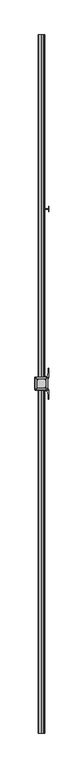
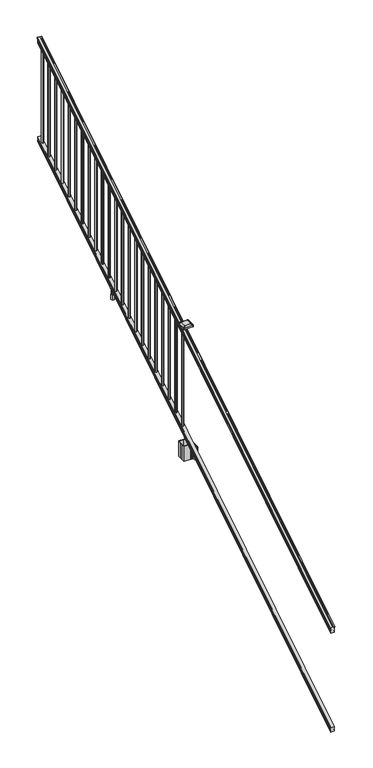
"""IFC4 building model written with IfcOpenShell, lengths in millimetres: railing geometry."""

from ifc_helpers import new_model, si_unit, point, frame, frame_2d, origin, place, context, project, spatial, polyline, circle_curve, ellipse_curve, trimmed, segment, composite_curve, outline, extrude, faceted_brep, source, transform, mapped, element, save
from ifc_brep_helpers import plane_surface, cylinder_surface, revolved_surface, extruded_surface, advanced_brep


def railing_32d1acc4(model_context):
    return source(origin(), model_context, "Body", "SolidModel", [
        advanced_brep(
        [(10207.2754996, -22300.2194681, 1285.6070492), (10209.8493284, -22300.2194681, 1285.6070492), (10209.8493284, -22300.2194681, 1273.0394336), (10208.8333284, -22300.2194681, 1271.841318), (10208.8333284, -22300.2194681, 1257.3), (10240.5833284, -22300.2194681, 1257.3), (10240.5833284, -22300.2194681, 1272.0274214), (10239.5673284, -22300.2194681, 1273.225537), (10239.5673284, -22300.2194681, 1285.6070492), (10242.1411571, -22300.2194681, 1285.6070492), (10242.1411571, -22300.2194681, 1287.8335658), (10243.2713434, -22300.2194681, 1289.6758543), (10243.2713434, -22300.2194681, 1298.1876358), (10242.622087, -22300.2194681, 1301.0572588), (10245.122087, -22300.2194681, 1306.1635509), (10246.5314295, -22300.2194681, 1308.1442021), (10246.9333285, -22300.2194681, 1309.4469579), (10246.9333284, -22300.2194681, 1311.0274846), (10245.3798811, -22300.2194681, 1312.8593836), (10224.7083284, -22300.2194681, 1312.8593836), (10204.0367756, -22300.2194681, 1312.8593836), (10202.4833284, -22300.2194681, 1311.0274846), (10202.4833284, -22300.2194681, 1309.4469579), (10202.8852273, -22300.2194681, 1308.1442021), (10204.2945697, -22300.2194681, 1306.1635509), (10206.7945697, -22300.2194681, 1301.0572588), (10206.1453133, -22300.2194681, 1298.1876358), (10206.1453133, -22300.2194681, 1289.6758543), (10207.2754996, -22300.2194681, 1287.8335658), (10207.2754996, -17423.4194681, 4333.6070492), (10207.2754996, -17423.4194681, 4335.8335658), (10206.1453133, -17423.4194681, 4337.6758543), (10206.1453133, -17423.4194681, 4346.1876358), (10206.7945697, -17423.4194681, 4349.0572588), (10204.2945697, -17423.4194681, 4354.1635509), (10202.8852273, -17423.4194681, 4356.1442021), (10202.4833283, -17423.4194681, 4357.4469579), (10202.4833284, -17423.4194681, 4359.0274846), (10204.0367756, -17423.4194681, 4360.8593836), (10224.7083284, -17423.4194681, 4360.8593836), (10245.3798811, -17423.4194681, 4360.8593836), (10246.9333284, -17423.4194681, 4359.0274846), (10246.9333284, -17423.4194681, 4357.4469579), (10246.5314295, -17423.4194681, 4356.1442021), (10245.122087, -17423.4194681, 4354.1635509), (10242.622087, -17423.4194681, 4349.0572588), (10243.2713434, -17423.4194681, 4346.1876358), (10243.2713434, -17423.4194681, 4337.6758543), (10242.1411571, -17423.4194681, 4335.8335658), (10242.1411571, -17423.4194681, 4333.6070492), (10239.5673284, -17423.4194681, 4333.6070492), (10239.5673284, -17423.4194681, 4321.225537), (10240.5833284, -17423.4194681, 4320.0274214), (10240.5833284, -17423.4194681, 4305.3), (10208.8333284, -17423.4194681, 4305.3), (10208.8333284, -17423.4194681, 4319.841318), (10209.8493284, -17423.4194681, 4321.0394336), (10209.8493284, -17423.4194681, 4333.6070492)],
        [
            (0, 1, ellipse_curve(frame((10208.562414, -22300.2194681, 1285.6070492), z_axis=(0.0, -1.0, 0.0), x_axis=(0.0, 0.0, -1.0)), 1.5175907, 1.2869144)),
            (1, 2),
            (2, 3),
            (3, 4),
            (4, 5),
            (5, 6),
            (6, 7),
            (7, 8),
            (8, 9, ellipse_curve(frame((10240.8542427, -22300.2194681, 1285.6070492), z_axis=(0.0, -1.0, 0.0), x_axis=(0.0, 0.0, -1.0)), 1.5175907, 1.2869144)),
            (9, 10),
            (10, 11, ellipse_curve(frame((10235.8264038, -22300.2194681, 1294.6239405), z_axis=(0.0, -1.0, 0.0), x_axis=(0.0, 0.0, -1.0)), 10.0777926, 8.545951)),
            (11, 12, ellipse_curve(frame((10236.2634668, -22300.2194681, 1293.9317451), z_axis=(0.0, -1.0, 0.0), x_axis=(0.0, 0.0, -1.0)), 9.2955186, 7.882584)),
            (12, 13, ellipse_curve(frame((10246.7767909, -22300.2194681, 1300.8275077), z_axis=(0.0, 1.0, 0.0), x_axis=(0.0, 0.0, 1.0)), 4.9048088, 4.1592695)),
            (13, 14, ellipse_curve(frame((10248.0640975, -22300.2194681, 1300.7563208), z_axis=(0.0, 1.0, 0.0), x_axis=(0.0, 0.0, 1.0)), 6.4245301, 5.4479907)),
            (14, 15, ellipse_curve(frame((10246.830939, -22300.2194681, 1306.1602333), z_axis=(0.0, 1.0, 0.0), x_axis=(0.0, 0.0, 1.0)), 2.0151625, 1.7088543)),
            (15, 16, ellipse_curve(frame((10245.2140389, -22300.2194681, 1309.4469579), z_axis=(0.0, -1.0, 0.0), x_axis=(0.0, 0.0, -1.0)), 2.0274681, 1.7192895)),
            (16, 17),
            (17, 18, ellipse_curve(frame((10245.3798811, -22300.2194681, 1311.0274846), z_axis=(0.0, -1.0, 0.0), x_axis=(0.0, 0.0, -1.0)), 1.831899, 1.5534472)),
            (18, 19),
            (19, 20),
            (20, 21, ellipse_curve(frame((10204.0367756, -22300.2194681, 1311.0274846), z_axis=(0.0, -1.0, 0.0), x_axis=(0.0, 0.0, -1.0)), 1.831899, 1.5534472)),
            (21, 22),
            (22, 23, ellipse_curve(frame((10204.2026178, -22300.2194681, 1309.4469579), z_axis=(0.0, -1.0, 0.0), x_axis=(0.0, 0.0, -1.0)), 2.0274681, 1.7192895)),
            (23, 24, ellipse_curve(frame((10202.5857177, -22300.2194681, 1306.1602333), z_axis=(0.0, 1.0, 0.0), x_axis=(0.0, 0.0, 1.0)), 2.0151625, 1.7088543)),
            (24, 25, ellipse_curve(frame((10201.3525593, -22300.2194681, 1300.7563208), z_axis=(0.0, 1.0, 0.0), x_axis=(0.0, 0.0, 1.0)), 6.4245301, 5.4479907)),
            (25, 26, ellipse_curve(frame((10202.6398658, -22300.2194681, 1300.8275077), z_axis=(0.0, 1.0, 0.0), x_axis=(0.0, 0.0, 1.0)), 4.9048088, 4.1592695)),
            (26, 27, ellipse_curve(frame((10213.15319, -22300.2194681, 1293.9317451), z_axis=(0.0, -1.0, 0.0), x_axis=(0.0, 0.0, -1.0)), 9.2955186, 7.882584)),
            (27, 28, ellipse_curve(frame((10213.5902529, -22300.2194681, 1294.6239405), z_axis=(0.0, -1.0, 0.0), x_axis=(0.0, 0.0, -1.0)), 10.0777926, 8.545951)),
            (28, 0),
            (29, 30),
            (30, 31, ellipse_curve(frame((10213.5902529, -17423.4194681, 4342.6239405), z_axis=(0.0, 1.0, 0.0), x_axis=(0.0, 0.0, -1.0)), 10.0777926, 8.545951)),
            (31, 32, ellipse_curve(frame((10213.15319, -17423.4194681, 4341.9317451), z_axis=(0.0, 1.0, 0.0), x_axis=(0.0, 0.0, -1.0)), 9.2955186, 7.882584)),
            (32, 33, ellipse_curve(frame((10202.6398658, -17423.4194681, 4348.8275077), z_axis=(0.0, -1.0, 0.0), x_axis=(0.0, 0.0, 1.0)), 4.9048088, 4.1592695)),
            (33, 34, ellipse_curve(frame((10201.3525593, -17423.4194681, 4348.7563208), z_axis=(0.0, -1.0, 0.0), x_axis=(0.0, 0.0, 1.0)), 6.4245301, 5.4479907)),
            (34, 35, ellipse_curve(frame((10202.5857177, -17423.4194681, 4354.1602333), z_axis=(0.0, -1.0, 0.0), x_axis=(0.0, 0.0, 1.0)), 2.0151625, 1.7088543)),
            (35, 36, ellipse_curve(frame((10204.2026178, -17423.4194681, 4357.4469579), z_axis=(0.0, 1.0, 0.0), x_axis=(0.0, 0.0, -1.0)), 2.0274681, 1.7192895)),
            (36, 37),
            (37, 38, ellipse_curve(frame((10204.0367756, -17423.4194681, 4359.0274846), z_axis=(0.0, 1.0, 0.0), x_axis=(0.0, 0.0, -1.0)), 1.831899, 1.5534472)),
            (38, 39),
            (39, 40),
            (40, 41, ellipse_curve(frame((10245.3798811, -17423.4194681, 4359.0274846), z_axis=(0.0, 1.0, 0.0), x_axis=(0.0, 0.0, -1.0)), 1.831899, 1.5534472)),
            (41, 42),
            (42, 43, ellipse_curve(frame((10245.2140389, -17423.4194681, 4357.4469579), z_axis=(0.0, 1.0, 0.0), x_axis=(0.0, 0.0, -1.0)), 2.0274681, 1.7192895)),
            (43, 44, ellipse_curve(frame((10246.830939, -17423.4194681, 4354.1602333), z_axis=(0.0, -1.0, 0.0), x_axis=(0.0, 0.0, 1.0)), 2.0151625, 1.7088543)),
            (44, 45, ellipse_curve(frame((10248.0640975, -17423.4194681, 4348.7563208), z_axis=(0.0, -1.0, 0.0), x_axis=(0.0, 0.0, 1.0)), 6.4245301, 5.4479907)),
            (45, 46, ellipse_curve(frame((10246.7767909, -17423.4194681, 4348.8275077), z_axis=(0.0, -1.0, 0.0), x_axis=(0.0, 0.0, 1.0)), 4.9048088, 4.1592695)),
            (46, 47, ellipse_curve(frame((10236.2634668, -17423.4194681, 4341.9317451), z_axis=(0.0, 1.0, 0.0), x_axis=(0.0, 0.0, -1.0)), 9.2955186, 7.882584)),
            (47, 48, ellipse_curve(frame((10235.8264038, -17423.4194681, 4342.6239405), z_axis=(0.0, 1.0, 0.0), x_axis=(0.0, 0.0, -1.0)), 10.0777926, 8.545951)),
            (48, 49),
            (49, 50, ellipse_curve(frame((10240.8542427, -17423.4194681, 4333.6070492), z_axis=(0.0, 1.0, 0.0), x_axis=(0.0, 0.0, -1.0)), 1.5175907, 1.2869144)),
            (50, 51),
            (51, 52),
            (52, 53),
            (53, 54),
            (54, 55),
            (55, 56),
            (56, 57),
            (57, 29, ellipse_curve(frame((10208.562414, -17423.4194681, 4333.6070492), z_axis=(0.0, 1.0, 0.0), x_axis=(0.0, 0.0, -1.0)), 1.5175907, 1.2869144)),
            (28, 30),
            (29, 0),
            (27, 31),
            (26, 32),
            (25, 33),
            (24, 34),
            (23, 35),
            (22, 36),
            (21, 37),
            (20, 38),
            (19, 39),
            (18, 40),
            (17, 41),
            (16, 42),
            (15, 43),
            (14, 44),
            (13, 45),
            (12, 46),
            (11, 47),
            (10, 48),
            (9, 49),
            (8, 50),
            (7, 51),
            (6, 52),
            (5, 53),
            (4, 54),
            (3, 55),
            (2, 56),
            (1, 57),
        ],
        [
            plane_surface(frame((10224.7083284, -22300.2194681, 1257.3), z_axis=(0.0, -1.0, 0.0), x_axis=(0.0, 0.0, 1.0))),
            plane_surface(frame((10224.7083284, -17423.4194681, 4305.3), z_axis=(0.0, 1.0, 0.0), x_axis=(0.0, 0.0, 1.0))),
            plane_surface(frame((10207.2754996, -22300.2194681, 1287.8335658), z_axis=(-1.0, 0.0, 0.0), x_axis=(0.0, 0.8479983040051252, 0.5299989400031204))),
            cylinder_surface(frame((10213.5902529, -22316.9942728, 1284.1396876), z_axis=(0.0, -0.8479983040051253, -0.5299989400031204), x_axis=(1.0, 0.0, 0.0)), 8.545951),
            cylinder_surface(frame((10213.15319, -22316.6831737, 1283.641929), z_axis=(0.0, -0.8479983040051253, -0.5299989400031204), x_axis=(1.0, 0.0, 0.0)), 7.882584),
            revolved_surface(polyline([(10206.7991353, -17421.21505965035, 4350.205262980555), (10206.7991353, -22302.423876549437, 1299.4497524191004)]), (10202.6398658, -22319.7823929, 1288.6006797), (0.0, 0.8479983040051253, 0.5299989400031204)),
            revolved_surface(polyline([(10206.80055, -17420.53203883574, 4350.560964077184), (10206.80055, -22303.10689735281, 1298.9516775044929)]), (10201.3525593, -22319.7503988, 1288.5494891), (0.0, 0.8479983040051253, 0.5299989400031204)),
            revolved_surface(polyline([(10204.294572, -17422.513777099783, 4354.726290199655), (10204.294572, -22301.12515912247, 1305.594176435953)]), (10202.5857177, -22322.1791235, 1292.4354487), (0.0, 0.8479983040051253, 0.5299989400031204)),
            cylinder_surface(frame((10204.2026178, -22323.6563031, 1294.798936), z_axis=(0.0, -0.8479983040051253, -0.5299989400031204), x_axis=(1.0, 0.0, 0.0)), 1.7192895),
            plane_surface(frame((10202.4833284, -22300.2194681, 1311.0274846), z_axis=(-1.0, 0.0, 0.0), x_axis=(0.0, 0.8479983040051252, 0.5299989400031204))),
            cylinder_surface(frame((10204.0367756, -22324.3666522, 1295.9354945), z_axis=(0.0, -0.8479983040051253, -0.5299989400031204), x_axis=(1.0, 0.0, 0.0)), 1.5534472),
            plane_surface(frame((10224.7083284, -22300.2194681, 1312.8593836), z_axis=(0.0, -0.5299989400031204, 0.8479983040051252), x_axis=(0.0, 0.8479983040051252, 0.5299989400031204))),
            plane_surface(frame((10245.3798811, -22300.2194681, 1312.8593836), z_axis=(0.0, -0.5299989400031204, 0.8479983040051252), x_axis=(0.0, 0.8479983040051252, 0.5299989400031204))),
            cylinder_surface(frame((10245.3798811, -22324.3666522, 1295.9354945), z_axis=(0.0, -0.8479983040051253, -0.5299989400031204), x_axis=(-1.0, 0.0, 0.0)), 1.5534472),
            plane_surface(frame((10246.9333284, -22300.2194681, 1309.4469579), z_axis=(1.0, 0.0, 0.0), x_axis=(0.0, 0.8479983040051252, 0.5299989400031204))),
            cylinder_surface(frame((10245.2140389, -22323.6563031, 1294.798936), z_axis=(0.0, -0.8479983040051253, -0.5299989400031204), x_axis=(-1.0, 0.0, 0.0)), 1.7192895),
            revolved_surface(polyline([(10245.122084699999, -17422.513777099783, 4354.726290199655), (10245.122084699999, -22301.12515912247, 1305.594176435953)]), (10246.830939, -22322.1791235, 1292.4354487), (0.0, 0.8479983040051253, 0.5299989400031204)),
            revolved_surface(polyline([(10242.6161068, -17420.53203883574, 4350.560964077184), (10242.6161068, -22303.10689735281, 1298.9516775044929)]), (10248.0640975, -22319.7503988, 1288.5494891), (0.0, 0.8479983040051253, 0.5299989400031204)),
            revolved_surface(polyline([(10242.6175214, -17421.21505965035, 4350.205262980555), (10242.6175214, -22302.423876549437, 1299.4497524191004)]), (10246.7767909, -22319.7823929, 1288.6006797), (0.0, 0.8479983040051253, 0.5299989400031204)),
            cylinder_surface(frame((10236.2634668, -22316.6831737, 1283.641929), z_axis=(0.0, -0.8479983040051253, -0.5299989400031204), x_axis=(-1.0, 0.0, 0.0)), 7.882584),
            cylinder_surface(frame((10235.8264038, -22316.9942728, 1284.1396876), z_axis=(0.0, -0.8479983040051253, -0.5299989400031204), x_axis=(-1.0, 0.0, 0.0)), 8.545951),
            plane_surface(frame((10242.1411571, -22300.2194681, 1285.6070492), z_axis=(1.0, 0.0, 0.0), x_axis=(0.0, 0.8479983040051252, 0.5299989400031204))),
            cylinder_surface(frame((10240.8542427, -22312.9417374, 1277.6556309), z_axis=(0.0, -0.8479983040051253, -0.5299989400031204), x_axis=(-1.0, 0.0, 0.0)), 1.2869144),
            plane_surface(frame((10239.5673284, -22300.2194681, 1273.225537), z_axis=(1.0000000000000002, 0.0, 0.0), x_axis=(0.0, 0.8479983040051253, 0.5299989400031204))),
            plane_surface(frame((10240.5833284, -22300.2194681, 1272.0274214), z_axis=(0.7071067811865428, -0.3747658444978918, 0.5996253511967193), x_axis=(0.0, 0.8479983040051253, 0.5299989400031203))),
            plane_surface(frame((10240.5833284, -22300.2194681, 1257.3), z_axis=(1.0, 0.0, 0.0), x_axis=(0.0, 0.8479983040051252, 0.5299989400031204))),
            plane_surface(frame((10208.8333284, -22300.2194681, 1257.3), z_axis=(0.0, 0.5299989400031204, -0.8479983040051252), x_axis=(0.0, 0.8479983040051252, 0.5299989400031204))),
            plane_surface(frame((10208.8333284, -22300.2194681, 1271.841318), z_axis=(-1.0, 0.0, 0.0), x_axis=(0.0, 0.8479983040051252, 0.5299989400031204))),
            plane_surface(frame((10209.8493284, -22300.2194681, 1273.0394336), z_axis=(-0.7071067811865399, -0.37476584449789196, 0.5996253511967223), x_axis=(0.0, 0.8479983040051252, 0.5299989400031204))),
            plane_surface(frame((10209.8493284, -22300.2194681, 1285.6070492), z_axis=(-1.0, 0.0, 0.0), x_axis=(0.0, 0.8479983040051252, 0.5299989400031204))),
            cylinder_surface(frame((10208.562414, -22312.9417374, 1277.6556309), z_axis=(0.0, -0.8479983040051253, -0.5299989400031204), x_axis=(1.0, 0.0, 0.0)), 1.2869144),
        ],
        [
            (0, [[1, 2, 3, 4, 5, 6, 7, 8, 9, 10, 11, 12, 13, 14, 15, 16, 17, 18, 19, 20, 21, 22, 23, 24, 25, 26, 27, 28, 29]]),
            (1, [[30, 31, 32, 33, 34, 35, 36, 37, 38, 39, 40, 41, 42, 43, 44, 45, 46, 47, 48, 49, 50, 51, 52, 53, 54, 55, 56, 57, 58]]),
            (2, [[-29, 59, -30, 60]]),
            (3, [[-28, 61, -31, -59]]),
            (4, [[-27, 62, -32, -61]]),
            (5, [[-26, 63, -33, -62]]),
            (6, [[-25, 64, -34, -63]]),
            (7, [[-24, 65, -35, -64]]),
            (8, [[-23, 66, -36, -65]]),
            (9, [[-22, 67, -37, -66]]),
            (10, [[-21, 68, -38, -67]]),
            (11, [[-20, 69, -39, -68]]),
            (12, [[-19, 70, -40, -69]]),
            (13, [[-18, 71, -41, -70]]),
            (14, [[-17, 72, -42, -71]]),
            (15, [[-16, 73, -43, -72]]),
            (16, [[-15, 74, -44, -73]]),
            (17, [[-14, 75, -45, -74]]),
            (18, [[-13, 76, -46, -75]]),
            (19, [[-12, 77, -47, -76]]),
            (20, [[-11, 78, -48, -77]]),
            (21, [[-10, 79, -49, -78]]),
            (22, [[-9, 80, -50, -79]]),
            (23, [[-8, 81, -51, -80]]),
            (24, [[-7, 82, -52, -81]]),
            (25, [[-6, 83, -53, -82]]),
            (26, [[-5, 84, -54, -83]]),
            (27, [[-4, 85, -55, -84]]),
            (28, [[-3, 86, -56, -85]]),
            (29, [[-2, 87, -57, -86]]),
            (30, [[-1, -60, -58, -87]]),
        ],
    ),
        faceted_brep([(10208.7958415, -22300.2194681, 268.8045079), (10208.7958415, -22300.2194681, 254.0), (10240.5458415, -22300.2194681, 254.0), (10240.5458415, -22300.2194681, 268.7848772), (10239.5298415, -22300.2194681, 270.3748303), (10239.5298415, -22300.2194681, 282.5348741), (10240.5458415, -22300.2194681, 284.1248272), (10240.5458415, -22300.2194681, 298.9244744), (10208.7958415, -22300.2194681, 298.9244744), (10208.7958415, -22300.2194681, 284.1444579), (10209.8118415, -22300.2194681, 282.5545048), (10209.8118415, -22300.2194681, 270.338026), (10208.7958415, -17423.4194681, 3316.8045079), (10209.8118415, -17423.4194681, 3318.338026), (10209.8118415, -17423.4194681, 3330.5545048), (10208.7958415, -17423.4194681, 3332.1444579), (10208.7958415, -17423.4194681, 3346.9244744), (10240.5458415, -17423.4194681, 3346.9244744), (10240.5458415, -17423.4194681, 3332.1248272), (10239.5298415, -17423.4194681, 3330.5348741), (10239.5298415, -17423.4194681, 3318.3748303), (10240.5458415, -17423.4194681, 3316.7848772), (10240.5458415, -17423.4194681, 3302.0), (10208.7958415, -17423.4194681, 3302.0)], [[[0, 1, 2, 3, 4, 5, 6, 7, 8, 9, 10, 11]], [[12, 13, 14, 15, 16, 17, 18, 19, 20, 21, 22, 23]], [[0, 11, 13, 12]], [[11, 10, 14, 13]], [[10, 9, 15, 14]], [[9, 8, 16, 15]], [[8, 7, 17, 16]], [[7, 6, 18, 17]], [[6, 5, 19, 18]], [[5, 4, 20, 19]], [[4, 3, 21, 20]], [[3, 2, 22, 21]], [[2, 1, 23, 22]], [[1, 0, 12, 23]]]),
        extrude(outline(composite_curve([segment(trimmed(circle_curve(frame_2d((10224.7083284, -17470.6634681)), 9.525), [point((10215.1833284, -17470.6634681))], [point((10224.7083284, -17461.1384681))], False, "CARTESIAN"), True, "CONTINUOUS"), segment(trimmed(circle_curve(frame_2d((10224.7083284, -17470.6634681)), 9.525), [point((10224.7083284, -17461.1384681))], [point((10234.2333284, -17470.6634681))], False, "CARTESIAN"), True, "CONTINUOUS"), segment(trimmed(circle_curve(frame_2d((10224.7083284, -17470.6634681)), 9.525), [point((10234.2333284, -17470.6634681))], [point((10224.7083284, -17480.1884681))], False, "CARTESIAN"), True, "CONTINUOUS"), segment(trimmed(circle_curve(frame_2d((10224.7083284, -17470.6634681)), 9.525), [point((10224.7083284, -17480.1884681))], [point((10215.1833284, -17470.6634681))], False, "CARTESIAN"), True, "CONTINUOUS")], self_intersect=False)), frame((0.0, 0.0, 3310.5683781), z_axis=(0.0, 0.0, 1.0), x_axis=(1.0, 0.0, 0.0)), (0.0, 0.0, 1.0), 965.2041219),
        extrude(outline(composite_curve([segment(trimmed(circle_curve(frame_2d((10224.7083284, -17581.9154681)), 9.525), [point((10215.1833284, -17581.9154681))], [point((10224.7083284, -17572.3904681))], False, "CARTESIAN"), True, "CONTINUOUS"), segment(trimmed(circle_curve(frame_2d((10224.7083284, -17581.9154681)), 9.525), [point((10224.7083284, -17572.3904681))], [point((10234.2333284, -17581.9154681))], False, "CARTESIAN"), True, "CONTINUOUS"), segment(trimmed(circle_curve(frame_2d((10224.7083284, -17581.9154681)), 9.525), [point((10234.2333284, -17581.9154681))], [point((10224.7083284, -17591.4404681))], False, "CARTESIAN"), True, "CONTINUOUS"), segment(trimmed(circle_curve(frame_2d((10224.7083284, -17581.9154681)), 9.525), [point((10224.7083284, -17591.4404681))], [point((10215.1833284, -17581.9154681))], False, "CARTESIAN"), True, "CONTINUOUS")], self_intersect=False)), frame((0.0, 0.0, 3241.0358781), z_axis=(0.0, 0.0, 1.0), x_axis=(1.0, 0.0, 0.0)), (0.0, 0.0, 1.0), 965.2041219),
        extrude(outline(composite_curve([segment(trimmed(circle_curve(frame_2d((10224.7083284, -17693.1674681)), 9.525), [point((10215.1833284, -17693.1674681))], [point((10224.7083284, -17683.6424681))], False, "CARTESIAN"), True, "CONTINUOUS"), segment(trimmed(circle_curve(frame_2d((10224.7083284, -17693.1674681)), 9.525), [point((10224.7083284, -17683.6424681))], [point((10234.2333284, -17693.1674681))], False, "CARTESIAN"), True, "CONTINUOUS"), segment(trimmed(circle_curve(frame_2d((10224.7083284, -17693.1674681)), 9.525), [point((10234.2333284, -17693.1674681))], [point((10224.7083284, -17702.6924681))], False, "CARTESIAN"), True, "CONTINUOUS"), segment(trimmed(circle_curve(frame_2d((10224.7083284, -17693.1674681)), 9.525), [point((10224.7083284, -17702.6924681))], [point((10215.1833284, -17693.1674681))], False, "CARTESIAN"), True, "CONTINUOUS")], self_intersect=False)), frame((0.0, 0.0, 3171.5033781), z_axis=(0.0, 0.0, 1.0), x_axis=(1.0, 0.0, 0.0)), (0.0, 0.0, 1.0), 965.2041219),
        extrude(outline(composite_curve([segment(trimmed(circle_curve(frame_2d((10224.7083284, -17804.4194681)), 9.525), [point((10215.1833284, -17804.4194681))], [point((10224.7083284, -17794.8944681))], False, "CARTESIAN"), True, "CONTINUOUS"), segment(trimmed(circle_curve(frame_2d((10224.7083284, -17804.4194681)), 9.525), [point((10224.7083284, -17794.8944681))], [point((10234.2333284, -17804.4194681))], False, "CARTESIAN"), True, "CONTINUOUS"), segment(trimmed(circle_curve(frame_2d((10224.7083284, -17804.4194681)), 9.525), [point((10234.2333284, -17804.4194681))], [point((10224.7083284, -17813.9444681))], False, "CARTESIAN"), True, "CONTINUOUS"), segment(trimmed(circle_curve(frame_2d((10224.7083284, -17804.4194681)), 9.525), [point((10224.7083284, -17813.9444681))], [point((10215.1833284, -17804.4194681))], False, "CARTESIAN"), True, "CONTINUOUS")], self_intersect=False)), frame((0.0, 0.0, 3101.9708781), z_axis=(0.0, 0.0, 1.0), x_axis=(1.0, 0.0, 0.0)), (0.0, 0.0, 1.0), 965.2041219),
        extrude(outline(composite_curve([segment(trimmed(circle_curve(frame_2d((10224.7083284, -17915.6714681)), 9.525), [point((10215.1833284, -17915.6714681))], [point((10224.7083284, -17906.1464681))], False, "CARTESIAN"), True, "CONTINUOUS"), segment(trimmed(circle_curve(frame_2d((10224.7083284, -17915.6714681)), 9.525), [point((10224.7083284, -17906.1464681))], [point((10234.2333284, -17915.6714681))], False, "CARTESIAN"), True, "CONTINUOUS"), segment(trimmed(circle_curve(frame_2d((10224.7083284, -17915.6714681)), 9.525), [point((10234.2333284, -17915.6714681))], [point((10224.7083284, -17925.1964681))], False, "CARTESIAN"), True, "CONTINUOUS"), segment(trimmed(circle_curve(frame_2d((10224.7083284, -17915.6714681)), 9.525), [point((10224.7083284, -17925.1964681))], [point((10215.1833284, -17915.6714681))], False, "CARTESIAN"), True, "CONTINUOUS")], self_intersect=False)), frame((0.0, 0.0, 3032.4383781), z_axis=(0.0, 0.0, 1.0), x_axis=(1.0, 0.0, 0.0)), (0.0, 0.0, 1.0), 965.2041219),
        extrude(outline(composite_curve([segment(trimmed(circle_curve(frame_2d((10224.7083284, -18026.9234681)), 9.525), [point((10215.1833284, -18026.9234681))], [point((10224.7083284, -18017.3984681))], False, "CARTESIAN"), True, "CONTINUOUS"), segment(trimmed(circle_curve(frame_2d((10224.7083284, -18026.9234681)), 9.525), [point((10224.7083284, -18017.3984681))], [point((10234.2333284, -18026.9234681))], False, "CARTESIAN"), True, "CONTINUOUS"), segment(trimmed(circle_curve(frame_2d((10224.7083284, -18026.9234681)), 9.525), [point((10234.2333284, -18026.9234681))], [point((10224.7083284, -18036.4484681))], False, "CARTESIAN"), True, "CONTINUOUS"), segment(trimmed(circle_curve(frame_2d((10224.7083284, -18026.9234681)), 9.525), [point((10224.7083284, -18036.4484681))], [point((10215.1833284, -18026.9234681))], False, "CARTESIAN"), True, "CONTINUOUS")], self_intersect=False)), frame((0.0, 0.0, 2962.9058781), z_axis=(0.0, 0.0, 1.0), x_axis=(1.0, 0.0, 0.0)), (0.0, 0.0, 1.0), 965.2041219),
        extrude(outline(composite_curve([segment(trimmed(circle_curve(frame_2d((10224.7083284, -18138.1754681)), 9.525), [point((10215.1833284, -18138.1754681))], [point((10224.7083284, -18128.6504681))], False, "CARTESIAN"), True, "CONTINUOUS"), segment(trimmed(circle_curve(frame_2d((10224.7083284, -18138.1754681)), 9.525), [point((10224.7083284, -18128.6504681))], [point((10234.2333284, -18138.1754681))], False, "CARTESIAN"), True, "CONTINUOUS"), segment(trimmed(circle_curve(frame_2d((10224.7083284, -18138.1754681)), 9.525), [point((10234.2333284, -18138.1754681))], [point((10224.7083284, -18147.7004681))], False, "CARTESIAN"), True, "CONTINUOUS"), segment(trimmed(circle_curve(frame_2d((10224.7083284, -18138.1754681)), 9.525), [point((10224.7083284, -18147.7004681))], [point((10215.1833284, -18138.1754681))], False, "CARTESIAN"), True, "CONTINUOUS")], self_intersect=False)), frame((0.0, 0.0, 2893.3733781), z_axis=(0.0, 0.0, 1.0), x_axis=(1.0, 0.0, 0.0)), (0.0, 0.0, 1.0), 965.2041219),
        extrude(outline(composite_curve([segment(trimmed(circle_curve(frame_2d((10224.7083284, -18249.4274681)), 9.525), [point((10215.1833284, -18249.4274681))], [point((10224.7083284, -18239.9024681))], False, "CARTESIAN"), True, "CONTINUOUS"), segment(trimmed(circle_curve(frame_2d((10224.7083284, -18249.4274681)), 9.525), [point((10224.7083284, -18239.9024681))], [point((10234.2333284, -18249.4274681))], False, "CARTESIAN"), True, "CONTINUOUS"), segment(trimmed(circle_curve(frame_2d((10224.7083284, -18249.4274681)), 9.525), [point((10234.2333284, -18249.4274681))], [point((10224.7083284, -18258.9524681))], False, "CARTESIAN"), True, "CONTINUOUS"), segment(trimmed(circle_curve(frame_2d((10224.7083284, -18249.4274681)), 9.525), [point((10224.7083284, -18258.9524681))], [point((10215.1833284, -18249.4274681))], False, "CARTESIAN"), True, "CONTINUOUS")], self_intersect=False)), frame((0.0, 0.0, 2823.8408781), z_axis=(0.0, 0.0, 1.0), x_axis=(1.0, 0.0, 0.0)), (0.0, 0.0, 1.0), 965.2041219),
        extrude(outline(composite_curve([segment(trimmed(circle_curve(frame_2d((10224.7083284, -18360.6794681)), 9.525), [point((10215.1833284, -18360.6794681))], [point((10224.7083284, -18351.1544681))], False, "CARTESIAN"), True, "CONTINUOUS"), segment(trimmed(circle_curve(frame_2d((10224.7083284, -18360.6794681)), 9.525), [point((10224.7083284, -18351.1544681))], [point((10234.2333284, -18360.6794681))], False, "CARTESIAN"), True, "CONTINUOUS"), segment(trimmed(circle_curve(frame_2d((10224.7083284, -18360.6794681)), 9.525), [point((10234.2333284, -18360.6794681))], [point((10224.7083284, -18370.2044681))], False, "CARTESIAN"), True, "CONTINUOUS"), segment(trimmed(circle_curve(frame_2d((10224.7083284, -18360.6794681)), 9.525), [point((10224.7083284, -18370.2044681))], [point((10215.1833284, -18360.6794681))], False, "CARTESIAN"), True, "CONTINUOUS")], self_intersect=False)), frame((0.0, 0.0, 2754.3083781), z_axis=(0.0, 0.0, 1.0), x_axis=(1.0, 0.0, 0.0)), (0.0, 0.0, 1.0), 965.2041219),
        extrude(outline(composite_curve([segment(trimmed(circle_curve(frame_2d((10224.7083284, -18471.9314681)), 9.525), [point((10215.1833284, -18471.9314681))], [point((10224.7083284, -18462.4064681))], False, "CARTESIAN"), True, "CONTINUOUS"), segment(trimmed(circle_curve(frame_2d((10224.7083284, -18471.9314681)), 9.525), [point((10224.7083284, -18462.4064681))], [point((10234.2333284, -18471.9314681))], False, "CARTESIAN"), True, "CONTINUOUS"), segment(trimmed(circle_curve(frame_2d((10224.7083284, -18471.9314681)), 9.525), [point((10234.2333284, -18471.9314681))], [point((10224.7083284, -18481.4564681))], False, "CARTESIAN"), True, "CONTINUOUS"), segment(trimmed(circle_curve(frame_2d((10224.7083284, -18471.9314681)), 9.525), [point((10224.7083284, -18481.4564681))], [point((10215.1833284, -18471.9314681))], False, "CARTESIAN"), True, "CONTINUOUS")], self_intersect=False)), frame((0.0, 0.0, 2684.7758781), z_axis=(0.0, 0.0, 1.0), x_axis=(1.0, 0.0, 0.0)), (0.0, 0.0, 1.0), 965.2041219),
        extrude(outline(composite_curve([segment(trimmed(circle_curve(frame_2d((10224.7083284, -18583.1834681)), 9.525), [point((10215.1833284, -18583.1834681))], [point((10224.7083284, -18573.6584681))], False, "CARTESIAN"), True, "CONTINUOUS"), segment(trimmed(circle_curve(frame_2d((10224.7083284, -18583.1834681)), 9.525), [point((10224.7083284, -18573.6584681))], [point((10234.2333284, -18583.1834681))], False, "CARTESIAN"), True, "CONTINUOUS"), segment(trimmed(circle_curve(frame_2d((10224.7083284, -18583.1834681)), 9.525), [point((10234.2333284, -18583.1834681))], [point((10224.7083284, -18592.7084681))], False, "CARTESIAN"), True, "CONTINUOUS"), segment(trimmed(circle_curve(frame_2d((10224.7083284, -18583.1834681)), 9.525), [point((10224.7083284, -18592.7084681))], [point((10215.1833284, -18583.1834681))], False, "CARTESIAN"), True, "CONTINUOUS")], self_intersect=False)), frame((0.0, 0.0, 2615.2433781), z_axis=(0.0, 0.0, 1.0), x_axis=(1.0, 0.0, 0.0)), (0.0, 0.0, 1.0), 965.2041219),
        extrude(outline(polyline([(10235.3763282, -18640.0794681), (10235.3763282, -18637.5394681), (10274.7463284, -18637.5394681), (10274.7463284, -18640.0794681), (10235.3763282, -18640.0794681)])), frame((0.0, 0.0, 2428.08125), z_axis=(0.0, 0.0, 1.0), x_axis=(1.0, 0.0, 0.0)), (0.0, 0.0, 1.0), 50.8),
        extrude(outline(polyline([(10274.7463284, -18657.8594681), (10274.7463284, -18619.7594681), (10277.2863284, -18619.7594681), (10277.2863284, -18657.8594681), (10274.7463284, -18657.8594681)])), frame((0.0, 0.0, 2428.08125), z_axis=(0.0, 0.0, 1.0), x_axis=(1.0, 0.0, 0.0)), (0.0, 0.0, 1.0), 50.8),
        extrude(outline(polyline([(10214.0403276, -18648.7154681), (10214.0403276, -18628.9034681), (10235.3763282, -18628.9034681), (10235.3763282, -18648.7154681), (10214.0403276, -18648.7154681)]), holes=[polyline([(10217.3423277, -18646.1754681), (10232.0743281, -18646.1754681), (10232.0743281, -18631.4434681), (10217.3423277, -18631.4434681), (10217.3423277, -18646.1754681)])]), frame((0.0, 0.0, 2428.08125), z_axis=(0.0, 0.0, 1.0), x_axis=(1.0, 0.0, 0.0)), (0.0, 0.0, 1.0), 50.8),
        extrude(outline(polyline([(2567.6016479, 10242.8693272), (2567.6016479, 10240.8373276), (2566.5856453, 10239.8213278), (2556.1498581, 10239.8213278), (2555.1338573, 10240.8373276), (2543.143251, 10240.8373276), (2542.3812519, 10240.0753285), (2542.3812519, 10209.3413273), (2543.143251, 10208.5793282), (2555.1338573, 10208.5793282), (2556.1498581, 10209.595328), (2566.5856453, 10209.595328), (2567.6016479, 10208.5793282), (2567.6016479, 10206.5473286), (2566.8396469, 10205.7853276), (2540.3492523, 10205.7853276), (2539.5872513, 10206.5473286), (2539.5872513, 10216.5803276), (2538.8252512, 10217.3423277), (2475.3252512, 10217.3423277), (2475.3252512, 10232.0743281), (2538.8252512, 10232.0743281), (2539.5872513, 10232.8363282), (2539.5872513, 10242.8693272), (2540.3492523, 10243.6313282), (2566.8396469, 10243.6313282), (2567.6016479, 10242.8693272)]), holes=[polyline([(2539.5872513, 10221.279328), (2539.5872513, 10228.1373278), (2538.8252512, 10228.8993279), (2482.8182503, 10228.8993279), (2482.0562531, 10228.1373307), (2482.0562531, 10221.279328), (2482.8182531, 10220.5173279), (2538.8252512, 10220.5173279), (2539.5872513, 10221.279328)])]), frame((0.0, -18646.1754681, 0.0), z_axis=(0.0, 1.0, 0.0), x_axis=(0.0, 0.0, 1.0)), (0.0, 0.0, 1.0), 14.732),
        extrude(outline(composite_curve([segment(trimmed(circle_curve(frame_2d((10224.7083284, -18694.4354681)), 9.525), [point((10215.1833284, -18694.4354681))], [point((10224.7083284, -18684.9104681))], False, "CARTESIAN"), True, "CONTINUOUS"), segment(trimmed(circle_curve(frame_2d((10224.7083284, -18694.4354681)), 9.525), [point((10224.7083284, -18684.9104681))], [point((10234.2333284, -18694.4354681))], False, "CARTESIAN"), True, "CONTINUOUS"), segment(trimmed(circle_curve(frame_2d((10224.7083284, -18694.4354681)), 9.525), [point((10234.2333284, -18694.4354681))], [point((10224.7083284, -18703.9604681))], False, "CARTESIAN"), True, "CONTINUOUS"), segment(trimmed(circle_curve(frame_2d((10224.7083284, -18694.4354681)), 9.525), [point((10224.7083284, -18703.9604681))], [point((10215.1833284, -18694.4354681))], False, "CARTESIAN"), True, "CONTINUOUS")], self_intersect=False)), frame((0.0, 0.0, 2545.7108781), z_axis=(0.0, 0.0, 1.0), x_axis=(1.0, 0.0, 0.0)), (0.0, 0.0, 1.0), 965.2041219),
        extrude(outline(composite_curve([segment(trimmed(circle_curve(frame_2d((10224.7083284, -18805.6874681)), 9.525), [point((10215.1833284, -18805.6874681))], [point((10224.7083284, -18796.1624681))], False, "CARTESIAN"), True, "CONTINUOUS"), segment(trimmed(circle_curve(frame_2d((10224.7083284, -18805.6874681)), 9.525), [point((10224.7083284, -18796.1624681))], [point((10234.2333284, -18805.6874681))], False, "CARTESIAN"), True, "CONTINUOUS"), segment(trimmed(circle_curve(frame_2d((10224.7083284, -18805.6874681)), 9.525), [point((10234.2333284, -18805.6874681))], [point((10224.7083284, -18815.2124681))], False, "CARTESIAN"), True, "CONTINUOUS"), segment(trimmed(circle_curve(frame_2d((10224.7083284, -18805.6874681)), 9.525), [point((10224.7083284, -18815.2124681))], [point((10215.1833284, -18805.6874681))], False, "CARTESIAN"), True, "CONTINUOUS")], self_intersect=False)), frame((0.0, 0.0, 2476.1783781), z_axis=(0.0, 0.0, 1.0), x_axis=(1.0, 0.0, 0.0)), (0.0, 0.0, 1.0), 965.2041219),
        extrude(outline(composite_curve([segment(trimmed(circle_curve(frame_2d((10224.7083284, -18916.9394681)), 9.525), [point((10215.1833284, -18916.9394681))], [point((10224.7083284, -18907.4144681))], False, "CARTESIAN"), True, "CONTINUOUS"), segment(trimmed(circle_curve(frame_2d((10224.7083284, -18916.9394681)), 9.525), [point((10224.7083284, -18907.4144681))], [point((10234.2333284, -18916.9394681))], False, "CARTESIAN"), True, "CONTINUOUS"), segment(trimmed(circle_curve(frame_2d((10224.7083284, -18916.9394681)), 9.525), [point((10234.2333284, -18916.9394681))], [point((10224.7083284, -18926.4644681))], False, "CARTESIAN"), True, "CONTINUOUS"), segment(trimmed(circle_curve(frame_2d((10224.7083284, -18916.9394681)), 9.525), [point((10224.7083284, -18926.4644681))], [point((10215.1833284, -18916.9394681))], False, "CARTESIAN"), True, "CONTINUOUS")], self_intersect=False)), frame((0.0, 0.0, 2406.6458781), z_axis=(0.0, 0.0, 1.0), x_axis=(1.0, 0.0, 0.0)), (0.0, 0.0, 1.0), 965.2041219),
        extrude(outline(composite_curve([segment(trimmed(circle_curve(frame_2d((10224.7083284, -19028.1914681)), 9.525), [point((10215.1833284, -19028.1914681))], [point((10224.7083284, -19018.6664681))], False, "CARTESIAN"), True, "CONTINUOUS"), segment(trimmed(circle_curve(frame_2d((10224.7083284, -19028.1914681)), 9.525), [point((10224.7083284, -19018.6664681))], [point((10234.2333284, -19028.1914681))], False, "CARTESIAN"), True, "CONTINUOUS"), segment(trimmed(circle_curve(frame_2d((10224.7083284, -19028.1914681)), 9.525), [point((10234.2333284, -19028.1914681))], [point((10224.7083284, -19037.7164681))], False, "CARTESIAN"), True, "CONTINUOUS"), segment(trimmed(circle_curve(frame_2d((10224.7083284, -19028.1914681)), 9.525), [point((10224.7083284, -19037.7164681))], [point((10215.1833284, -19028.1914681))], False, "CARTESIAN"), True, "CONTINUOUS")], self_intersect=False)), frame((0.0, 0.0, 2337.1133781), z_axis=(0.0, 0.0, 1.0), x_axis=(1.0, 0.0, 0.0)), (0.0, 0.0, 1.0), 965.2041219),
        extrude(outline(composite_curve([segment(trimmed(circle_curve(frame_2d((10224.7083284, -19139.4434681)), 9.525), [point((10215.1833284, -19139.4434681))], [point((10224.7083284, -19129.9184681))], False, "CARTESIAN"), True, "CONTINUOUS"), segment(trimmed(circle_curve(frame_2d((10224.7083284, -19139.4434681)), 9.525), [point((10224.7083284, -19129.9184681))], [point((10234.2333284, -19139.4434681))], False, "CARTESIAN"), True, "CONTINUOUS"), segment(trimmed(circle_curve(frame_2d((10224.7083284, -19139.4434681)), 9.525), [point((10234.2333284, -19139.4434681))], [point((10224.7083284, -19148.9684681))], False, "CARTESIAN"), True, "CONTINUOUS"), segment(trimmed(circle_curve(frame_2d((10224.7083284, -19139.4434681)), 9.525), [point((10224.7083284, -19148.9684681))], [point((10215.1833284, -19139.4434681))], False, "CARTESIAN"), True, "CONTINUOUS")], self_intersect=False)), frame((0.0, 0.0, 2267.5808781), z_axis=(0.0, 0.0, 1.0), x_axis=(1.0, 0.0, 0.0)), (0.0, 0.0, 1.0), 965.2041219),
        extrude(outline(composite_curve([segment(trimmed(circle_curve(frame_2d((10224.7083284, -19250.6954681)), 9.525), [point((10215.1833284, -19250.6954681))], [point((10224.7083284, -19241.1704681))], False, "CARTESIAN"), True, "CONTINUOUS"), segment(trimmed(circle_curve(frame_2d((10224.7083284, -19250.6954681)), 9.525), [point((10224.7083284, -19241.1704681))], [point((10234.2333284, -19250.6954681))], False, "CARTESIAN"), True, "CONTINUOUS"), segment(trimmed(circle_curve(frame_2d((10224.7083284, -19250.6954681)), 9.525), [point((10234.2333284, -19250.6954681))], [point((10224.7083284, -19260.2204681))], False, "CARTESIAN"), True, "CONTINUOUS"), segment(trimmed(circle_curve(frame_2d((10224.7083284, -19250.6954681)), 9.525), [point((10224.7083284, -19260.2204681))], [point((10215.1833284, -19250.6954681))], False, "CARTESIAN"), True, "CONTINUOUS")], self_intersect=False)), frame((0.0, 0.0, 2198.0483781), z_axis=(0.0, 0.0, 1.0), x_axis=(1.0, 0.0, 0.0)), (0.0, 0.0, 1.0), 965.2041219),
        extrude(outline(composite_curve([segment(trimmed(circle_curve(frame_2d((10224.7083284, -19361.9474681)), 9.525), [point((10215.1833284, -19361.9474681))], [point((10224.7083284, -19352.4224681))], False, "CARTESIAN"), True, "CONTINUOUS"), segment(trimmed(circle_curve(frame_2d((10224.7083284, -19361.9474681)), 9.525), [point((10224.7083284, -19352.4224681))], [point((10234.2333284, -19361.9474681))], False, "CARTESIAN"), True, "CONTINUOUS"), segment(trimmed(circle_curve(frame_2d((10224.7083284, -19361.9474681)), 9.525), [point((10234.2333284, -19361.9474681))], [point((10224.7083284, -19371.4724681))], False, "CARTESIAN"), True, "CONTINUOUS"), segment(trimmed(circle_curve(frame_2d((10224.7083284, -19361.9474681)), 9.525), [point((10224.7083284, -19371.4724681))], [point((10215.1833284, -19361.9474681))], False, "CARTESIAN"), True, "CONTINUOUS")], self_intersect=False)), frame((0.0, 0.0, 2128.5158781), z_axis=(0.0, 0.0, 1.0), x_axis=(1.0, 0.0, 0.0)), (0.0, 0.0, 1.0), 965.2041219),
        extrude(outline(composite_curve([segment(trimmed(circle_curve(frame_2d((10224.7083284, -19473.1994681)), 9.525), [point((10215.1833284, -19473.1994681))], [point((10224.7083284, -19463.6744681))], False, "CARTESIAN"), True, "CONTINUOUS"), segment(trimmed(circle_curve(frame_2d((10224.7083284, -19473.1994681)), 9.525), [point((10224.7083284, -19463.6744681))], [point((10234.2333284, -19473.1994681))], False, "CARTESIAN"), True, "CONTINUOUS"), segment(trimmed(circle_curve(frame_2d((10224.7083284, -19473.1994681)), 9.525), [point((10234.2333284, -19473.1994681))], [point((10224.7083284, -19482.7244681))], False, "CARTESIAN"), True, "CONTINUOUS"), segment(trimmed(circle_curve(frame_2d((10224.7083284, -19473.1994681)), 9.525), [point((10224.7083284, -19482.7244681))], [point((10215.1833284, -19473.1994681))], False, "CARTESIAN"), True, "CONTINUOUS")], self_intersect=False)), frame((0.0, 0.0, 2058.9833781), z_axis=(0.0, 0.0, 1.0), x_axis=(1.0, 0.0, 0.0)), (0.0, 0.0, 1.0), 965.2041219),
        extrude(outline(composite_curve([segment(trimmed(circle_curve(frame_2d((10224.7083284, -19584.4514681)), 9.525), [point((10215.1833284, -19584.4514681))], [point((10224.7083284, -19574.9264681))], False, "CARTESIAN"), True, "CONTINUOUS"), segment(trimmed(circle_curve(frame_2d((10224.7083284, -19584.4514681)), 9.525), [point((10224.7083284, -19574.9264681))], [point((10234.2333284, -19584.4514681))], False, "CARTESIAN"), True, "CONTINUOUS"), segment(trimmed(circle_curve(frame_2d((10224.7083284, -19584.4514681)), 9.525), [point((10234.2333284, -19584.4514681))], [point((10224.7083284, -19593.9764681))], False, "CARTESIAN"), True, "CONTINUOUS"), segment(trimmed(circle_curve(frame_2d((10224.7083284, -19584.4514681)), 9.525), [point((10224.7083284, -19593.9764681))], [point((10215.1833284, -19584.4514681))], False, "CARTESIAN"), True, "CONTINUOUS")], self_intersect=False)), frame((0.0, 0.0, 1989.4508781), z_axis=(0.0, 0.0, 1.0), x_axis=(1.0, 0.0, 0.0)), (0.0, 0.0, 1.0), 965.2041219),
        extrude(outline(composite_curve([segment(trimmed(circle_curve(frame_2d((10224.7083284, -19695.7034681)), 9.525), [point((10215.1833284, -19695.7034681))], [point((10224.7083284, -19686.1784681))], False, "CARTESIAN"), True, "CONTINUOUS"), segment(trimmed(circle_curve(frame_2d((10224.7083284, -19695.7034681)), 9.525), [point((10224.7083284, -19686.1784681))], [point((10234.2333284, -19695.7034681))], False, "CARTESIAN"), True, "CONTINUOUS"), segment(trimmed(circle_curve(frame_2d((10224.7083284, -19695.7034681)), 9.525), [point((10234.2333284, -19695.7034681))], [point((10224.7083284, -19705.2284681))], False, "CARTESIAN"), True, "CONTINUOUS"), segment(trimmed(circle_curve(frame_2d((10224.7083284, -19695.7034681)), 9.525), [point((10224.7083284, -19705.2284681))], [point((10215.1833284, -19695.7034681))], False, "CARTESIAN"), True, "CONTINUOUS")], self_intersect=False)), frame((0.0, 0.0, 1919.9183781), z_axis=(0.0, 0.0, 1.0), x_axis=(1.0, 0.0, 0.0)), (0.0, 0.0, 1.0), 965.2041219),
        extrude(outline(composite_curve([segment(trimmed(circle_curve(frame_2d((10224.7083284, -19806.9554681)), 9.525), [point((10215.1833284, -19806.9554681))], [point((10224.7083284, -19797.4304681))], False, "CARTESIAN"), True, "CONTINUOUS"), segment(trimmed(circle_curve(frame_2d((10224.7083284, -19806.9554681)), 9.525), [point((10224.7083284, -19797.4304681))], [point((10234.2333284, -19806.9554681))], False, "CARTESIAN"), True, "CONTINUOUS"), segment(trimmed(circle_curve(frame_2d((10224.7083284, -19806.9554681)), 9.525), [point((10234.2333284, -19806.9554681))], [point((10224.7083284, -19816.4804681))], False, "CARTESIAN"), True, "CONTINUOUS"), segment(trimmed(circle_curve(frame_2d((10224.7083284, -19806.9554681)), 9.525), [point((10224.7083284, -19816.4804681))], [point((10215.1833284, -19806.9554681))], False, "CARTESIAN"), True, "CONTINUOUS")], self_intersect=False)), frame((0.0, 0.0, 1850.3858781), z_axis=(0.0, 0.0, 1.0), x_axis=(1.0, 0.0, 0.0)), (0.0, 0.0, 1.0), 965.2041219),
        extrude(outline(composite_curve([segment(polyline([(10181.9728284, -19876.665563), (10181.9728284, -19841.8933732), (10180.3853284, -19841.1313732), (10180.3853284, -19818.3294452), (10183.7583054, -19814.9564681), (10245.2179763, -19814.9564681), (10245.2179763, -19814.0357181), (10250.5355201, -19814.0357181), (10250.5355201, -19812.5814634), (10255.6200498, -19812.5814634), (10255.6200498, -19811.2974396), (10257.2873221, -19811.2974396)]), True, "CONTINUOUS"), segment(trimmed(circle_curve(frame_2d((10257.2873221, -19804.2379797)), 7.0594599), [point((10257.2873221, -19811.2974396))], [point((10264.0545849, -19806.2479864))], True, "CARTESIAN"), True, "CONTINUOUS"), segment(polyline([(10264.0545849, -19806.2479864), (10271.9287792, -19779.7372573)]), True, "CONTINUOUS"), segment(trimmed(circle_curve(frame_2d((10217.1442659, -19763.4652076)), 57.15), [point((10271.9287792, -19779.7372573))], [point((10274.2942659, -19763.4652076))], True, "CARTESIAN"), True, "CONTINUOUS"), segment(polyline([(10274.2942659, -19763.4652076), (10274.2942659, -19751.4564681), (10277.2942659, -19751.4564681), (10277.2942659, -19816.5439681), (10269.0313284, -19827.8822594), (10269.0313284, -19841.1313732), (10267.4438284, -19841.8933732), (10267.4438284, -19876.665563), (10269.0313284, -19877.427563), (10269.0313284, -19890.6766768), (10277.2942659, -19902.0149681), (10277.2942659, -19967.1024681), (10274.2942659, -19967.1024681), (10274.2942659, -19955.0937285)]), True, "CONTINUOUS"), segment(trimmed(circle_curve(frame_2d((10217.1442659, -19955.0937285)), 57.15), [point((10274.2942659, -19955.0937285))], [point((10271.9287792, -19938.8216789))], True, "CARTESIAN"), True, "CONTINUOUS"), segment(polyline([(10271.9287792, -19938.8216789), (10264.0545849, -19912.3109498)]), True, "CONTINUOUS"), segment(trimmed(circle_curve(frame_2d((10257.2873221, -19914.3209565)), 7.0594599), [point((10264.0545849, -19912.3109498))], [point((10257.2873221, -19907.2614966))], True, "CARTESIAN"), True, "CONTINUOUS"), segment(polyline([(10257.2873221, -19907.2614966), (10255.6200498, -19907.2614966), (10255.6200498, -19905.9774728), (10250.5355201, -19905.9774728), (10250.5355201, -19904.5232181), (10245.2179763, -19904.5232181), (10245.2179763, -19903.6024681), (10183.7583054, -19903.6024681), (10180.3853284, -19900.229491), (10180.3853284, -19877.427563), (10181.9728284, -19876.665563)]), True, "CONTINUOUS")], self_intersect=False), holes=[polyline([(10265.9833284, -19819.5919681), (10264.3958284, -19818.0044681), (10227.4715458, -19818.0044681), (10185.0208284, -19818.0044681), (10183.4333284, -19819.5919681), (10183.4333284, -19898.9669681), (10185.0208284, -19900.5544681), (10227.4715458, -19900.5544681), (10264.3958284, -19900.5544681), (10265.9833284, -19898.9669681), (10265.9833284, -19819.5919681)])]), frame((0.0, 0.0, 1563.6875), z_axis=(0.0, 0.0, 1.0), x_axis=(1.0, 0.0, 0.0)), (0.0, 0.0, 1.0), 152.4),
        advanced_brep(
        [(10250.5052034, -19888.2513431, 2928.426763), (10253.6802034, -19885.0763431, 2928.426763), (10253.6802034, -19833.4825931, 2928.426763), (10250.5052034, -19830.3075931, 2928.426763), (10198.9114534, -19830.3075931, 2928.426763), (10195.7364534, -19833.4825931, 2928.426763), (10195.7364534, -19885.0763431, 2928.426763), (10198.9114534, -19888.2513431, 2928.426763), (10266.7770784, -19904.5232181, 2917.123763), (10182.6395784, -19904.5232181, 2917.123763), (10179.4645784, -19901.3482181, 2917.123763), (10179.4645784, -19817.2107181, 2917.123763), (10182.6395784, -19814.0357181, 2917.123763), (10266.7770784, -19814.0357181, 2917.123763), (10269.9520784, -19817.2107181, 2917.123763), (10269.9520784, -19901.3482181, 2917.123763)],
        [
            (0, 1, circle_curve(frame((10250.5052034, -19885.0763431, 2928.426763), z_axis=(0.0, 0.0, 1.0), x_axis=(0.0, 1.0, 0.0)), 3.175)),
            (1, 2),
            (2, 3, circle_curve(frame((10250.5052034, -19833.4825931, 2928.426763), z_axis=(0.0, 0.0, 1.0), x_axis=(0.0, 1.0, 0.0)), 3.175)),
            (3, 4),
            (4, 5, circle_curve(frame((10198.9114534, -19833.4825931, 2928.426763), z_axis=(0.0, 0.0, 1.0), x_axis=(0.0, 1.0, 0.0)), 3.175)),
            (5, 6),
            (6, 7, circle_curve(frame((10198.9114534, -19885.0763431, 2928.426763), z_axis=(0.0, 0.0, 1.0), x_axis=(0.0, 1.0, 0.0)), 3.175)),
            (7, 0),
            (8, 9),
            (9, 10, circle_curve(frame((10182.6395784, -19901.3482181, 2917.123763), z_axis=(0.0, 0.0, -1.0), x_axis=(0.0, 1.0, 0.0)), 3.175)),
            (10, 11),
            (11, 12, circle_curve(frame((10182.6395784, -19817.2107181, 2917.123763), z_axis=(0.0, 0.0, -1.0), x_axis=(0.0, 1.0, 0.0)), 3.175)),
            (12, 13),
            (13, 14, circle_curve(frame((10266.7770784, -19817.2107181, 2917.123763), z_axis=(0.0, 0.0, -1.0), x_axis=(0.0, 1.0, 0.0)), 3.175)),
            (14, 15),
            (15, 8, circle_curve(frame((10266.7770784, -19901.3482181, 2917.123763), z_axis=(0.0, 0.0, -1.0), x_axis=(0.0, 1.0, 0.0)), 3.175)),
            (15, 1),
            (0, 8),
            (14, 2),
            (13, 3),
            (12, 4),
            (11, 5),
            (10, 6),
            (9, 7),
        ],
        [
            plane_surface(frame((10224.7083284, -19859.2794681, 2928.426763), z_axis=(0.0, 0.0, 1.0), x_axis=(1.0, 0.0, 0.0))),
            plane_surface(frame((10224.7083284, -19859.2794681, 2917.123763), z_axis=(0.0, 0.0, -1.0), x_axis=(1.0, 0.0, 0.0))),
            extruded_surface(trimmed(circle_curve(frame((10266.7770784, -19901.3482181, 2917.123763), z_axis=(0.0, 0.0, 1.0), x_axis=(0.0, 1.0, 0.0)), 3.175), [point((10266.7770784, -19904.5232181, 2917.123763))], [point((10269.9520784, -19901.3482181, 2917.123763))], True, "CARTESIAN"), (-16.271875000000364, 16.271874999998545, 11.302999999999884), 25.63797263886542),
            plane_surface(frame((10269.9520784, -19859.2794681, 2917.123763), z_axis=(0.5705009161540778, 0.0, 0.8212969649690408), x_axis=(0.0, 1.0, 0.0))),
            extruded_surface(trimmed(circle_curve(frame((10266.7770784, -19817.2107181, 2917.123763), z_axis=(0.0, 0.0, 1.0), x_axis=(0.0, 1.0, 0.0)), 3.175), [point((10269.9520784, -19817.2107181, 2917.123763))], [point((10266.7770784, -19814.0357181, 2917.123763))], True, "CARTESIAN"), (-16.271875000000364, -16.271875000002183, 11.302999999999884), 25.637972638867726),
            plane_surface(frame((10224.7083284, -19814.0357181, 2917.123763), z_axis=(0.0, 0.5705009161540291, 0.8212969649690747), x_axis=(-1.0, 0.0, 0.0))),
            extruded_surface(trimmed(circle_curve(frame((10182.6395784, -19817.2107181, 2917.123763), z_axis=(0.0, 0.0, 1.0), x_axis=(0.0, 1.0, 0.0)), 3.175), [point((10182.6395784, -19814.0357181, 2917.123763))], [point((10179.4645784, -19817.2107181, 2917.123763))], True, "CARTESIAN"), (16.271875000000364, -16.271875000002183, 11.302999999999884), 25.637972638867726),
            plane_surface(frame((10179.4645784, -19859.2794681, 2917.123763), z_axis=(-0.5705009161540142, 0.0, 0.8212969649690851), x_axis=(0.0, -1.0, 0.0))),
            extruded_surface(trimmed(circle_curve(frame((10182.6395784, -19901.3482181, 2917.123763), z_axis=(0.0, 0.0, 1.0), x_axis=(0.0, 1.0, 0.0)), 3.175), [point((10179.4645784, -19901.3482181, 2917.123763))], [point((10182.6395784, -19904.5232181, 2917.123763))], True, "CARTESIAN"), (16.271875000000364, 16.271874999998545, 11.302999999999884), 25.63797263886542),
            plane_surface(frame((10224.7083284, -19904.5232181, 2917.123763), z_axis=(0.0, -0.570500916154034, 0.8212969649690713), x_axis=(1.0, 0.0, 0.0))),
        ],
        [
            (0, [[1, 2, 3, 4, 5, 6, 7, 8]]),
            (1, [[9, 10, 11, 12, 13, 14, 15, 16]]),
            (2, [[-16, 17, -1, 18]]),
            (3, [[-15, 19, -2, -17]]),
            (4, [[-14, 20, -3, -19]]),
            (5, [[-13, 21, -4, -20]]),
            (6, [[-12, 22, -5, -21]]),
            (7, [[-11, 23, -6, -22]]),
            (8, [[-10, 24, -7, -23]]),
            (9, [[-9, -18, -8, -24]]),
        ],
    ),
        extrude(outline(composite_curve([segment(polyline([(10266.7770784, -19904.5232181), (10182.6395784, -19904.5232181)]), True, "CONTINUOUS"), segment(trimmed(circle_curve(frame_2d((10182.6395784, -19901.3482181)), 3.175), [point((10182.6395784, -19904.5232181))], [point((10179.4645784, -19901.3482181))], False, "CARTESIAN"), True, "CONTINUOUS"), segment(polyline([(10179.4645784, -19901.3482181), (10179.4645784, -19817.2107181)]), True, "CONTINUOUS"), segment(trimmed(circle_curve(frame_2d((10182.6395784, -19817.2107181)), 3.175), [point((10179.4645784, -19817.2107181))], [point((10182.6395784, -19814.0357181))], False, "CARTESIAN"), True, "CONTINUOUS"), segment(polyline([(10182.6395784, -19814.0357181), (10266.7770784, -19814.0357181)]), True, "CONTINUOUS"), segment(trimmed(circle_curve(frame_2d((10266.7770784, -19817.2107181)), 3.175), [point((10266.7770784, -19814.0357181))], [point((10269.9520784, -19817.2107181))], False, "CARTESIAN"), True, "CONTINUOUS"), segment(polyline([(10269.9520784, -19817.2107181), (10269.9520784, -19901.3482181)]), True, "CONTINUOUS"), segment(trimmed(circle_curve(frame_2d((10266.7770784, -19901.3482181)), 3.175), [point((10269.9520784, -19901.3482181))], [point((10266.7770784, -19904.5232181))], False, "CARTESIAN"), True, "CONTINUOUS")], self_intersect=False)), frame((0.0, 0.0, 2899.851763), z_axis=(0.0, 0.0, 1.0), x_axis=(1.0, 0.0, 0.0)), (0.0, 0.0, 1.0), 17.272),
    ])


if __name__ == "__main__":
    model = new_model("IFC4")
    model_context = context("Model", 3, world=origin())
    ifc_project = project(units=[si_unit("LENGTHUNIT", "METRE", prefix="MILLI")], contexts=[model_context])
    site = spatial("IfcSite", under=ifc_project)
    building = spatial("IfcBuilding", under=site)
    placement = place(None, origin())
    railing_shape = railing_32d1acc4(model_context)
    element("IfcRailing", 1, at=placement, inside=building, context=model_context, shape_type="MappedRepresentation", body=[
        mapped(railing_shape, transform((0.0, 0.0, 0.0), x_axis=(1.0, 0.0, 0.0), y_axis=(0.0, 1.0, 0.0), z_axis=(0.0, 0.0, 1.0))),
    ])
    save(model, "model.ifc")
